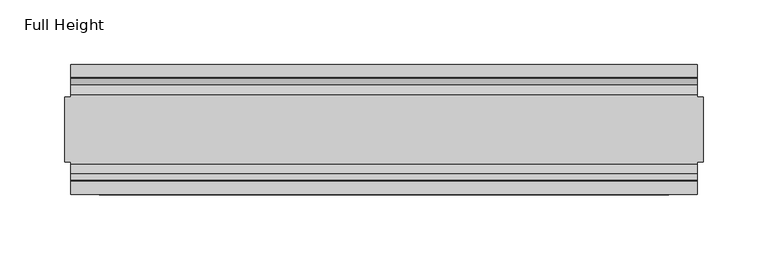
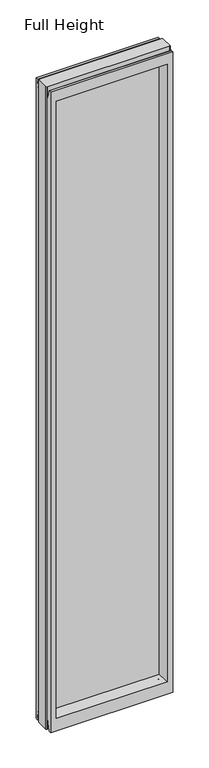
"""IFC4 building model written with IfcOpenShell, lengths in millimetres: plate geometry, Full Height."""

from ifc_helpers import new_model, si_unit, frame, origin, place, context, project, spatial, polyline, circle_curve, outline, extrude, source, transform, mapped, element, save
from ifc_brep_helpers import plane_surface, cylinder_surface, revolved_surface, advanced_brep


def full_height_ad0523ec(model_context):
    return source(origin(), model_context, "Body", "SolidModel", [
        extrude(outline(polyline([(213.2574669, 6.35), (213.2574669, -6.35), (-213.2574669, -6.35), (-213.2574669, 6.35), (213.2574669, 6.35)])), frame((0.0, 0.0, 58.801), z_axis=(0.0, 0.0, 1.0), x_axis=(1.0, 0.0, 0.0)), (0.0, 0.0, 1.0), 2569.845),
        advanced_brep(
        [(245.8964669, 25.146, 2688.336), (241.3244669, 25.146, 2688.336), (241.3244669, 26.67, 2688.336), (-241.3244669, 26.67, 2688.336), (-241.3244669, 25.146, 2688.336), (-245.8964669, 25.146, 2688.336), (-245.8964669, -25.146, 2688.336), (-241.3244669, -25.146, 2688.336), (-241.3244669, -26.67, 2688.336), (241.3244669, -26.67, 2688.336), (241.3244669, -25.146, 2688.336), (245.8964669, -25.146, 2688.336), (245.8964669, 25.146, 0.0), (245.8964669, -25.146, 0.0), (241.3244669, -25.146, 0.0), (241.3244669, -26.67, 0.0), (-241.3244669, -26.67, 0.0), (-241.3244669, -25.146, 0.0), (-245.8964669, -25.146, 0.0), (-245.8964669, 25.146, 0.0), (-241.3244669, 25.146, 0.0), (-241.3244669, 26.67, 0.0), (241.3244669, 26.67, 0.0), (241.3244669, 25.146, 0.0), (-241.3244669, 40.7946686, 0.0), (-241.3244669, 50.0, 0.0), (241.3244669, 50.0, 0.0), (241.3244669, 40.7946686, 0.0), (-241.3244669, 26.67, 36.4542208), (241.3244669, 26.67, 36.4542208), (-241.3244669, -26.67, 36.4542208), (-241.3244669, -34.2686707, 36.8568054), (-241.3244669, -36.9464913, 11.6561909), (-241.3244669, -39.043018, 8.6755976), (-241.3244669, -39.5246686, 7.9074686), (-241.3244669, -39.5246686, 1.27), (-241.3244669, -40.7946686, 0.0), (-241.3244669, -50.0, 0.0), (-241.3244669, -50.0, 2679.192), (-241.3244669, -39.9371387, 2679.192), (-241.3244669, -39.1867152, 2678.5623199), (-241.3244669, -34.2321175, 2650.4634004), (-241.3244669, -26.67, 2651.125), (-241.3244669, 39.5246686, 1.27), (-241.3244669, 39.5246686, 7.9074686), (-241.3244669, 39.043018, 8.6755976), (-241.3244669, 36.9464913, 11.6561909), (-241.3244669, 34.2686707, 36.8568054), (-241.3244669, 26.67, 2651.125), (-241.3244669, 34.2321175, 2650.4634004), (-241.3244669, 39.1867152, 2678.5623199), (-241.3244669, 39.9371387, 2679.192), (-241.3244669, 50.0, 2679.192), (241.3244669, -50.0, 0.0), (241.3244669, -50.0, 2679.192), (-219.2264669, -50.0, 2634.615), (219.2264669, -50.0, 2634.615), (219.2264669, -50.0, 52.8372208), (-219.2264669, -50.0, 52.8372208), (241.3244669, 50.0, 2679.192), (-219.2264669, 50.0, 52.8372208), (219.2264669, 50.0, 52.8372208), (219.2264669, 50.0, 2634.615), (-219.2264669, 50.0, 2634.615), (-213.2574669, -6.1006519, 58.8062208), (-213.2574669, -6.1006519, 2628.646), (-213.2574669, 6.1006519, 2628.646), (-213.2574669, 6.1006519, 58.8062208), (213.2574669, 6.1006519, 58.8062208), (213.2574669, 6.1006519, 2628.646), (213.2574669, -6.1006519, 2628.646), (213.2574669, -6.1006519, 58.8062208), (241.3244669, -40.7946686, 0.0), (241.3244669, -39.5246686, 1.27), (241.3244669, -39.5246686, 7.9074686), (241.3244669, -39.043018, 8.6755976), (241.3244669, -36.9464913, 11.6561909), (241.3244669, -34.2686707, 36.8568054), (241.3244669, -26.67, 36.4542208), (241.3244669, -26.67, 2651.125), (241.3244669, -34.2321175, 2650.4634004), (241.3244669, -39.1867152, 2678.5623199), (241.3244669, -39.9371387, 2679.192), (241.3244669, 39.9371387, 2679.192), (241.3244669, 39.1867152, 2678.5623199), (241.3244669, 34.2321175, 2650.4634004), (241.3244669, 26.67, 2651.125), (241.3244669, 34.2686707, 36.8568054), (241.3244669, 36.9464913, 11.6561909), (241.3244669, 39.043018, 8.6755976), (241.3244669, 39.5246686, 7.9074686), (241.3244669, 39.5246686, 1.27)],
        [
            (0, 1),
            (1, 2),
            (2, 3),
            (3, 4),
            (4, 5),
            (5, 6),
            (6, 7),
            (7, 8),
            (8, 9),
            (9, 10),
            (10, 11),
            (11, 0),
            (12, 13),
            (13, 14),
            (14, 15),
            (15, 16),
            (16, 17),
            (17, 18),
            (18, 19),
            (19, 20),
            (20, 21),
            (21, 22),
            (22, 23),
            (23, 12),
            (23, 1),
            (0, 12),
            (10, 14),
            (13, 11),
            (5, 19),
            (18, 6),
            (17, 7),
            (4, 20),
            (24, 25),
            (25, 26),
            (26, 27),
            (27, 24),
            (21, 28),
            (28, 29),
            (29, 22),
            (16, 30),
            (30, 31, circle_curve(frame((-241.3244669, -30.48, 36.4542208), z_axis=(1.0, 0.0, 0.0), x_axis=(0.0, -1.0, 0.0)), 3.81)),
            (31, 32),
            (32, 33, circle_curve(frame((-241.3244669, -40.6770502, 12.0526006), z_axis=(-1.0, 0.0, 0.0), x_axis=(0.0, -1.0, 0.0)), 3.751561)),
            (33, 34, circle_curve(frame((-241.3244669, -38.671343, 7.9074686), z_axis=(1.0, 0.0, 0.0), x_axis=(0.0, -1.0, 0.0)), 0.8533256)),
            (34, 35),
            (35, 36, circle_curve(frame((-241.3244669, -40.7946686, 1.27), z_axis=(-1.0, 0.0, 0.0), x_axis=(0.0, -1.0, 0.0)), 1.27)),
            (36, 37),
            (37, 38),
            (38, 39),
            (39, 40, circle_curve(frame((-241.3244669, -39.9371387, 2678.43), z_axis=(-1.0, 0.0, 0.0), x_axis=(0.0, -1.0, 0.0)), 0.762)),
            (40, 41),
            (41, 42, circle_curve(frame((-241.3244669, -30.48, 2651.125), z_axis=(1.0, 0.0, 0.0), x_axis=(0.0, -1.0, 0.0)), 3.81)),
            (42, 8),
            (24, 43, circle_curve(frame((-241.3244669, 40.7946686, 1.27), z_axis=(-1.0, 0.0, 0.0), x_axis=(0.0, -1.0, 0.0)), 1.27)),
            (43, 44),
            (44, 45, circle_curve(frame((-241.3244669, 38.671343, 7.9074686), z_axis=(1.0, 0.0, 0.0), x_axis=(0.0, -1.0, 0.0)), 0.8533256)),
            (45, 46, circle_curve(frame((-241.3244669, 40.6770502, 12.0526006), z_axis=(-1.0, 0.0, 0.0), x_axis=(0.0, -1.0, 0.0)), 3.751561)),
            (46, 47),
            (47, 28, circle_curve(frame((-241.3244669, 30.48, 36.4542208), z_axis=(1.0, 0.0, 0.0), x_axis=(0.0, -1.0, 0.0)), 3.81)),
            (3, 48),
            (48, 49, circle_curve(frame((-241.3244669, 30.48, 2651.125), z_axis=(1.0, 0.0, 0.0), x_axis=(0.0, -1.0, 0.0)), 3.81)),
            (49, 50),
            (50, 51, circle_curve(frame((-241.3244669, 39.9371387, 2678.43), z_axis=(-1.0, 0.0, 0.0), x_axis=(0.0, -1.0, 0.0)), 0.762)),
            (51, 52),
            (52, 25),
            (37, 53),
            (53, 54),
            (54, 38),
            (55, 56),
            (56, 57),
            (57, 58),
            (58, 55),
            (52, 59),
            (59, 26),
            (60, 61),
            (61, 62),
            (62, 63),
            (63, 60),
            (58, 64),
            (64, 65),
            (65, 55),
            (63, 66),
            (66, 67),
            (67, 60),
            (61, 68),
            (68, 69),
            (69, 62),
            (70, 71),
            (71, 57),
            (56, 70),
            (53, 72),
            (72, 73, circle_curve(frame((241.3244669, -40.7946686, 1.27), z_axis=(1.0, 0.0, 0.0), x_axis=(0.0, -1.0, 0.0)), 1.27)),
            (73, 74),
            (74, 75, circle_curve(frame((241.3244669, -38.671343, 7.9074686), z_axis=(-1.0, 0.0, 0.0), x_axis=(0.0, -1.0, 0.0)), 0.8533256)),
            (75, 76, circle_curve(frame((241.3244669, -40.6770502, 12.0526006), z_axis=(1.0, 0.0, 0.0), x_axis=(0.0, -1.0, 0.0)), 3.751561)),
            (76, 77),
            (77, 78, circle_curve(frame((241.3244669, -30.48, 36.4542208), z_axis=(-1.0, 0.0, 0.0), x_axis=(0.0, -1.0, 0.0)), 3.81)),
            (78, 15),
            (9, 79),
            (79, 80, circle_curve(frame((241.3244669, -30.48, 2651.125), z_axis=(-1.0, 0.0, 0.0), x_axis=(0.0, -1.0, 0.0)), 3.81)),
            (80, 81),
            (81, 82, circle_curve(frame((241.3244669, -39.9371387, 2678.43), z_axis=(1.0, 0.0, 0.0), x_axis=(0.0, -1.0, 0.0)), 0.762)),
            (82, 54),
            (59, 83),
            (83, 84, circle_curve(frame((241.3244669, 39.9371387, 2678.43), z_axis=(1.0, 0.0, 0.0), x_axis=(0.0, -1.0, 0.0)), 0.762)),
            (84, 85),
            (85, 86, circle_curve(frame((241.3244669, 30.48, 2651.125), z_axis=(-1.0, 0.0, 0.0), x_axis=(0.0, -1.0, 0.0)), 3.81)),
            (86, 2),
            (29, 87, circle_curve(frame((241.3244669, 30.48, 36.4542208), z_axis=(-1.0, 0.0, 0.0), x_axis=(0.0, -1.0, 0.0)), 3.81)),
            (87, 88),
            (88, 89, circle_curve(frame((241.3244669, 40.6770502, 12.0526006), z_axis=(1.0, 0.0, 0.0), x_axis=(0.0, -1.0, 0.0)), 3.751561)),
            (89, 90, circle_curve(frame((241.3244669, 38.671343, 7.9074686), z_axis=(-1.0, 0.0, 0.0), x_axis=(0.0, -1.0, 0.0)), 0.8533256)),
            (90, 91),
            (91, 27, circle_curve(frame((241.3244669, 40.7946686, 1.27), z_axis=(1.0, 0.0, 0.0), x_axis=(0.0, -1.0, 0.0)), 1.27)),
            (91, 43),
            (90, 44),
            (89, 45),
            (88, 46),
            (87, 47),
            (78, 30),
            (31, 77),
            (76, 32),
            (75, 33),
            (74, 34),
            (73, 35),
            (72, 36),
            (71, 64),
            (67, 68),
            (86, 48),
            (85, 49),
            (84, 50),
            (83, 51),
            (69, 66),
            (65, 70),
            (82, 39),
            (81, 40),
            (80, 41),
            (79, 42),
            (65, 66),
            (69, 70),
            (71, 68),
            (67, 64),
        ],
        [
            plane_surface(frame((241.3244669, 25.146, 2688.336), z_axis=(0.0, 0.0, 1.0), x_axis=(-1.0, 0.0, 0.0))),
            plane_surface(frame((241.3244669, 25.146, 0.0), z_axis=(0.0, 0.0, -1.0), x_axis=(1.0, 0.0, 0.0))),
            plane_surface(frame((245.8964669, 25.146, 2688.336), z_axis=(0.0, 1.0, 0.0), x_axis=(0.0, 0.0, -1.0))),
            plane_surface(frame((241.3244669, -25.146, 2688.336), z_axis=(0.0, -1.0, 0.0), x_axis=(0.0, 0.0, -1.0))),
            plane_surface(frame((245.8964669, -25.146, 2688.336), z_axis=(1.0, 0.0, 0.0), x_axis=(0.0, 0.0, -1.0))),
            plane_surface(frame((-245.8964669, 25.146, 2688.336), z_axis=(-1.0, 0.0, 0.0), x_axis=(0.0, 0.0, -1.0))),
            plane_surface(frame((-245.8964669, -25.146, 2688.336), z_axis=(0.0, -1.0, 0.0), x_axis=(0.0, 0.0, -1.0))),
            plane_surface(frame((-241.3244669, 25.146, 2688.336), z_axis=(0.0, 1.0, 0.0), x_axis=(0.0, 0.0, -1.0))),
            plane_surface(frame((-241.3244669, 50.0, 0.0), z_axis=(0.0, 0.0, -1.0), x_axis=(1.0, 0.0, 0.0))),
            plane_surface(frame((-241.3244669, 26.67, 36.4542208), z_axis=(0.0, 1.0, 0.0), x_axis=(1.0, 0.0, 0.0))),
            plane_surface(frame((-241.3244669, 50.0, 2646.4006), z_axis=(-1.0, 0.0, 0.0), x_axis=(0.0, 0.0, -1.0))),
            plane_surface(frame((-241.3244669, -50.0, 2646.4006), z_axis=(0.0, -1.0, 0.0), x_axis=(0.0, 0.0, -1.0))),
            plane_surface(frame((-219.2264669, 50.0, 2646.4006), z_axis=(0.0, 1.0, 0.0), x_axis=(0.0, 0.0, -1.0))),
            plane_surface(frame((-219.2264669, -50.0, 2646.4006), z_axis=(0.9908822943533606, -0.13473039277393942, 0.0), x_axis=(0.0, 0.0, -1.0))),
            plane_surface(frame((-213.2574669, 6.1006519, 2646.4006), z_axis=(0.9908822943533612, 0.13473039277393595, 0.0), x_axis=(0.0, 0.0, -1.0))),
            plane_surface(frame((219.2264669, 50.0, 2646.4006), z_axis=(-0.990882294353361, 0.1347303927739373, 0.0), x_axis=(0.0, 0.0, -1.0))),
            plane_surface(frame((213.2574669, -6.1006519, 2646.4006), z_axis=(-0.9908822943533567, -0.13473039277396856, 0.0), x_axis=(0.0, 0.0, -1.0))),
            plane_surface(frame((241.3244669, -50.0, 2646.4006), z_axis=(1.0, 0.0, 0.0), x_axis=(0.0, 0.0, -1.0))),
            cylinder_surface(frame((241.3244669, 40.7946686, 1.27), z_axis=(-1.0, 0.0, 0.0), x_axis=(0.0, -1.0, 0.0)), 1.27),
            plane_surface(frame((-241.3244669, 39.5246686, 1.27), z_axis=(0.0, -1.0, 0.0), x_axis=(1.0, 0.0, 0.0))),
            revolved_surface(polyline([(241.3244669, 37.8180174, 7.9074686), (-241.3244669, 37.8180174, 7.9074686)]), (241.3244669, 38.671343, 7.9074686), (1.0, 0.0, 0.0)),
            cylinder_surface(frame((241.3244669, 40.6770502, 12.0526006), z_axis=(-1.0, 0.0, 0.0), x_axis=(0.0, -1.0, 0.0)), 3.751561),
            plane_surface(frame((-241.3244669, 36.9464913, 11.6561909), z_axis=(0.0, -0.9944017560866671, -0.10566526151840386), x_axis=(1.0, 0.0, 0.0))),
            plane_surface(frame((-241.3244669, -26.67, 0.0), z_axis=(0.0, -1.0, 0.0), x_axis=(1.0, 0.0, 0.0))),
            plane_surface(frame((-241.3244669, -34.2686707, 36.8568054), z_axis=(0.0, 0.994401756086622, -0.10566526151882928), x_axis=(1.0, 0.0, 0.0))),
            cylinder_surface(frame((241.3244669, -40.6770502, 12.0526006), z_axis=(-1.0, 0.0, 0.0), x_axis=(0.0, -1.0, 0.0)), 3.751561),
            revolved_surface(polyline([(241.3244669, -39.5246686, 7.9074686), (-241.3244669, -39.5246686, 7.9074686)]), (241.3244669, -38.671343, 7.9074686), (1.0, 0.0, 0.0)),
            plane_surface(frame((-241.3244669, -39.5246686, 7.9074686), z_axis=(0.0, 1.0, 0.0), x_axis=(1.0, 0.0, 0.0))),
            cylinder_surface(frame((241.3244669, -40.7946686, 1.27), z_axis=(-1.0, 0.0, 0.0), x_axis=(0.0, -1.0, 0.0)), 1.27),
            plane_surface(frame((-241.3244669, -40.7946686, 0.0), z_axis=(0.0, 0.0, -1.0), x_axis=(1.0, 0.0, 0.0))),
            plane_surface(frame((-241.3244669, -50.0, 52.8372208), z_axis=(0.0, -0.13473039277394736, 0.9908822943533596), x_axis=(1.0, 0.0, 0.0))),
            plane_surface(frame((-241.3244669, 6.1006519, 58.8062208), z_axis=(0.0, 0.13473039277399929, 0.9908822943533526), x_axis=(1.0, 0.0, 0.0))),
            revolved_surface(polyline([(241.3244669, 26.67, 36.4542208), (-241.3244669, 26.67, 36.4542208)]), (241.3244669, 30.48, 36.4542208), (1.0, 0.0, 0.0)),
            revolved_surface(polyline([(241.3244669, -34.29, 36.4542208), (-241.3244669, -34.29, 36.4542208)]), (241.3244669, -30.48, 36.4542208), (1.0, 0.0, 0.0)),
            plane_surface(frame((-241.3244669, 26.67, 2688.336), z_axis=(0.0, 1.0, 0.0), x_axis=(1.0, 0.0, 0.0))),
            revolved_surface(polyline([(241.3244669, 26.67, 2651.125), (-241.3244669, 26.67, 2651.125)]), (-245.8964669, 30.48, 2651.125), (1.0, 0.0, 0.0)),
            plane_surface(frame((-241.3244669, 34.2321175, 2650.4634004), z_axis=(0.0, -0.9848077530113118, 0.17364817767201302), x_axis=(1.0, 0.0, 0.0))),
            cylinder_surface(frame((-245.8964669, 39.9371387, 2678.43), z_axis=(-1.0, 0.0, 0.0), x_axis=(0.0, -1.0, 0.0)), 0.762),
            plane_surface(frame((-241.3244669, 39.9371387, 2679.192), z_axis=(0.0, 0.0, 1.0), x_axis=(1.0, 0.0, 0.0))),
            plane_surface(frame((-241.3244669, 50.0, 2634.615), z_axis=(0.0, 0.13473039277345053, -0.9908822943534271), x_axis=(1.0, 0.0, 0.0))),
            plane_surface(frame((-241.3244669, -6.1006519, 2628.646), z_axis=(0.0, -0.13473039277247864, -0.9908822943535593), x_axis=(1.0, 0.0, 0.0))),
            plane_surface(frame((-241.3244669, -50.0, 2679.192), z_axis=(0.0, 0.0, 1.0), x_axis=(1.0, 0.0, 0.0))),
            cylinder_surface(frame((-245.8964669, -39.9371387, 2678.43), z_axis=(-1.0, 0.0, 0.0), x_axis=(0.0, -1.0, 0.0)), 0.762),
            plane_surface(frame((-241.3244669, -39.1867152, 2678.5623199), z_axis=(0.0, 0.9848077530103964, 0.17364817767720517), x_axis=(1.0, 0.0, 0.0))),
            revolved_surface(polyline([(241.3244669, -34.29, 2651.125), (-241.3244669, -34.29, 2651.125)]), (-245.8964669, -30.48, 2651.125), (1.0, 0.0, 0.0)),
            plane_surface(frame((-241.3244669, -26.67, 2651.125), z_axis=(0.0, -1.0, 0.0), x_axis=(1.0, 0.0, 0.0))),
            plane_surface(frame((-241.3244669, 6.1006519, 2628.646), z_axis=(0.0, 0.0, -1.0), x_axis=(1.0, 0.0, 0.0))),
            plane_surface(frame((-241.3244669, -6.1006519, 58.8062208), z_axis=(0.0, 0.0, 1.0), x_axis=(1.0, 0.0, 0.0))),
            plane_surface(frame((-213.2574669, -6.1006519, 2646.4006), z_axis=(1.0, 0.0, 0.0), x_axis=(0.0, 0.0, -1.0))),
            plane_surface(frame((213.2574669, 6.1006519, 2646.4006), z_axis=(-1.0, 0.0, 0.0), x_axis=(0.0, 0.0, -1.0))),
        ],
        [
            (0, [[1, 2, 3, 4, 5, 6, 7, 8, 9, 10, 11, 12]]),
            (1, [[13, 14, 15, 16, 17, 18, 19, 20, 21, 22, 23, 24]]),
            (2, [[25, -1, 26, -24]]),
            (3, [[-11, 27, -14, 28]]),
            (4, [[-12, -28, -13, -26]]),
            (5, [[-6, 29, -19, 30]]),
            (6, [[31, -7, -30, -18]]),
            (7, [[-5, 32, -20, -29]]),
            (8, [[33, 34, 35, 36]]),
            (9, [[37, 38, 39, -22]]),
            (10, [[-17, 40, 41, 42, 43, 44, 45, 46, 47, 48, 49, 50, 51, 52, 53, -8, -31]]),
            (10, [[-33, 54, 55, 56, 57, 58, 59, -37, -21, -32, -4, 60, 61, 62, 63, 64, 65]]),
            (11, [[-48, 66, 67, 68], [69, 70, 71, 72]]),
            (12, [[-65, 73, 74, -34], [75, 76, 77, 78]]),
            (13, [[-72, 79, 80, 81]]),
            (14, [[-78, 82, 83, 84]]),
            (15, [[-76, 85, 86, 87]]),
            (16, [[88, 89, -70, 90]]),
            (17, [[-67, 91, 92, 93, 94, 95, 96, 97, 98, -15, -27, -10, 99, 100, 101, 102, 103]]),
            (17, [[-74, 104, 105, 106, 107, 108, -2, -25, -23, -39, 109, 110, 111, 112, 113, 114, -35]]),
            (18, [[-54, -36, -114, 115]]),
            (19, [[-55, -115, -113, 116]]),
            (20, [[-56, -116, -112, 117]]),
            (21, [[-57, -117, -111, 118]]),
            (22, [[-58, -118, -110, 119]]),
            (23, [[-40, -16, -98, 120]]),
            (24, [[-42, 121, -96, 122]]),
            (25, [[-43, -122, -95, 123]]),
            (26, [[-44, -123, -94, 124]]),
            (27, [[-45, -124, -93, 125]]),
            (28, [[-46, -125, -92, 126]]),
            (29, [[-47, -126, -91, -66]]),
            (30, [[-71, -89, 127, -79]]),
            (31, [[-75, -84, 128, -85]]),
            (32, [[-59, -119, -109, -38]]),
            (33, [[-41, -120, -97, -121]]),
            (34, [[-60, -3, -108, 129]]),
            (35, [[-61, -129, -107, 130]]),
            (36, [[-62, -130, -106, 131]]),
            (37, [[-63, -131, -105, 132]]),
            (38, [[-64, -132, -104, -73]]),
            (39, [[-77, -87, 133, -82]]),
            (40, [[-69, -81, 134, -90]]),
            (41, [[-49, -68, -103, 135]]),
            (42, [[-50, -135, -102, 136]]),
            (43, [[-51, -136, -101, 137]]),
            (44, [[-52, -137, -100, 138]]),
            (45, [[-53, -138, -99, -9]]),
            (46, [[-134, 139, -133, 140]]),
            (47, [[-127, 141, -128, 142]]),
            (48, [[-83, -139, -80, -142]]),
            (49, [[-88, -140, -86, -141]]),
        ],
    ),
        extrude(outline(polyline([(-213.2574669, 6.35), (213.2574669, 6.35), (213.2574669, -6.35), (-213.2574669, -6.35), (-213.2574669, 6.35)])), frame((0.0, 0.0, 58.8062208), z_axis=(0.0, 0.0, 1.0), x_axis=(1.0, 0.0, 0.0)), (0.0, 0.0, 1.0), 2569.8397792),
    ])


if __name__ == "__main__":
    model = new_model("IFC4")
    model_context = context("Model", 3, world=origin())
    ifc_project = project(units=[si_unit("LENGTHUNIT", "METRE", prefix="MILLI")], contexts=[model_context])
    site = spatial("IfcSite", under=ifc_project)
    building = spatial("IfcBuilding", under=site)
    placement = place(None, origin())
    full_height_shape = full_height_ad0523ec(model_context)
    element("IfcPlate", 1, ObjectType="Full Height", at=placement, inside=building, context=model_context, shape_type="MappedRepresentation", body=[
        mapped(full_height_shape, transform((0.0, 0.0, 0.0), x_axis=(1.0, 0.0, 0.0), y_axis=(0.0, 1.0, 0.0), z_axis=(0.0, 0.0, 1.0))),
    ])
    save(model, "model.ifc")
